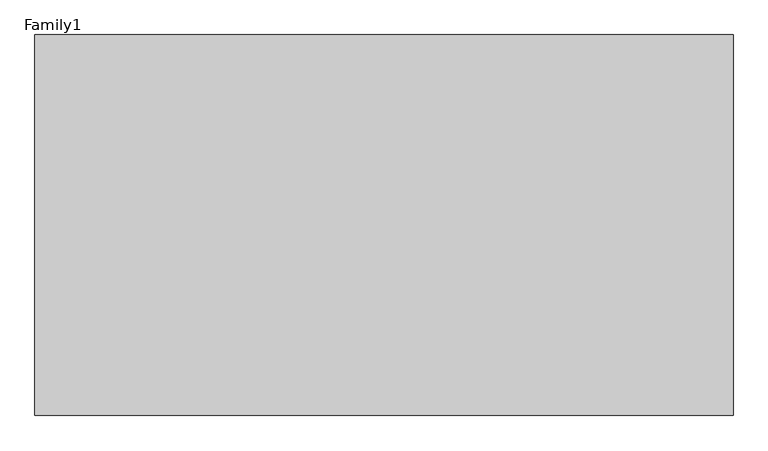
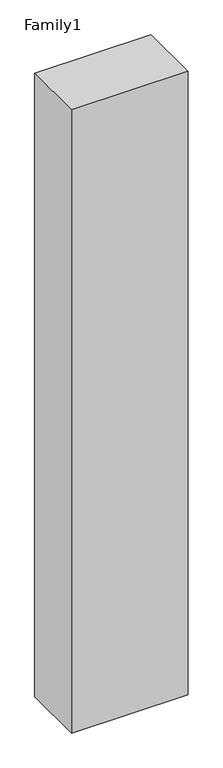
"""IFC4 building model written with IfcOpenShell, lengths in millimetres: proxy geometry, Family1."""

from ifc_helpers import new_model, si_unit, origin, origin_with_axes, place, context, project, spatial, polyline, outline, extrude, source, transform, mapped, element, save


def family1_a61b8279(model_context):
    return source(origin(), model_context, "Body", "SweptSolid", [
        extrude(outline(polyline([(5500.0, 0.0), (0.0, 0.0), (0.0, 3000.0), (5500.0, 3000.0), (5500.0, 0.0)])), origin_with_axes(), (0.0, 0.0, 1.0), 31095.0),
    ])


if __name__ == "__main__":
    model = new_model("IFC4")
    model_context = context("Model", 3, world=origin())
    ifc_project = project(units=[si_unit("LENGTHUNIT", "METRE", prefix="MILLI")], contexts=[model_context])
    site = spatial("IfcSite", under=ifc_project)
    building = spatial("IfcBuilding", under=site)
    placement = place(None, origin())
    family1_shape = family1_a61b8279(model_context)
    element("IfcBuildingElementProxy", 1, Name="Family1", ObjectType="Family1", at=placement, inside=building, context=model_context, shape_type="MappedRepresentation", body=[
        mapped(family1_shape, transform((0.0, 0.0, 0.0), x_axis=(1.0, 0.0, 0.0), y_axis=(0.0, 1.0, 0.0), z_axis=(0.0, 0.0, 1.0))),
    ])
    save(model, "model.ifc")
